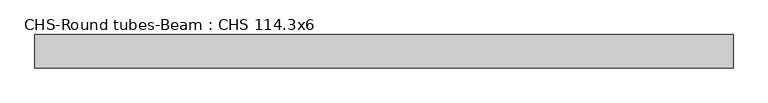
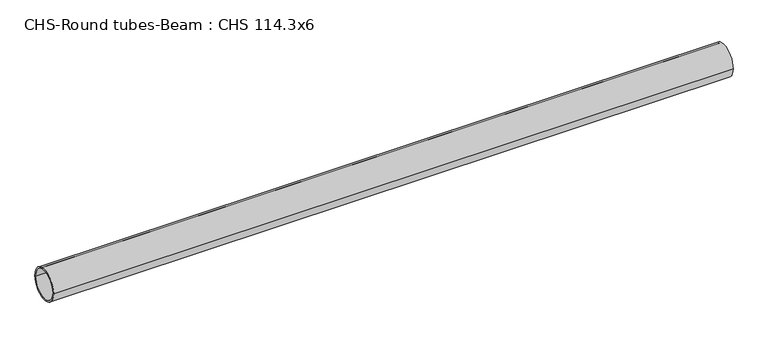
"""IFC4 building model written with IfcOpenShell, lengths in millimetres: beam geometry, CHS-Round tubes-Beam : CHS 114.3x6."""

from ifc_helpers import new_model, si_unit, point, frame, origin, origin_2d, place, context, project, spatial, circle_curve, trimmed, segment, composite_curve, outline, extrude, source, transform, mapped, element, save


def chs_round_tubes_beam_chs_114_3x6_f09fd6f4(model_context):
    return source(origin(), model_context, "Body", "SweptSolid", [
        extrude(outline(composite_curve([segment(trimmed(circle_curve(origin_2d(), 57.15), [point((57.15, 0.0))], [point((-57.15, 0.0))], False, "CARTESIAN"), True, "CONTINUOUS"), segment(trimmed(circle_curve(origin_2d(), 57.15), [point((-57.15, 0.0))], [point((57.15, 0.0))], False, "CARTESIAN"), True, "CONTINUOUS")], self_intersect=False), holes=[composite_curve([segment(trimmed(circle_curve(origin_2d(), 51.15), [point((51.15, 0.0))], [point((-51.15, 0.0))], True, "CARTESIAN"), True, "CONTINUOUS"), segment(trimmed(circle_curve(origin_2d(), 51.15), [point((-51.15, 0.0))], [point((51.15, 0.0))], True, "CARTESIAN"), True, "CONTINUOUS")], self_intersect=False)]), frame((-1143.2352419, 0.0, 0.0), z_axis=(1.0, 0.0, 0.0), x_axis=(0.0, 1.0, 0.0)), (0.0, 0.0, 1.0), 2402.8325824),
    ])


if __name__ == "__main__":
    model = new_model("IFC4")
    model_context = context("Model", 3, world=origin())
    ifc_project = project(units=[si_unit("LENGTHUNIT", "METRE", prefix="MILLI")], contexts=[model_context])
    site = spatial("IfcSite", under=ifc_project)
    building = spatial("IfcBuilding", under=site)
    placement = place(None, origin())
    chs_round_tubes_beam_chs_114_3x6_shape = chs_round_tubes_beam_chs_114_3x6_f09fd6f4(model_context)
    element("IfcBeam", 1, ObjectType="CHS-Round tubes-Beam : CHS 114.3x6", at=placement, inside=building, context=model_context, shape_type="MappedRepresentation", body=[
        mapped(chs_round_tubes_beam_chs_114_3x6_shape, transform((0.0, 0.0, 0.0), x_axis=(1.0, 0.0, 0.0), y_axis=(0.0, 1.0, 0.0), z_axis=(0.0, 0.0, 1.0))),
    ])
    save(model, "model.ifc")
